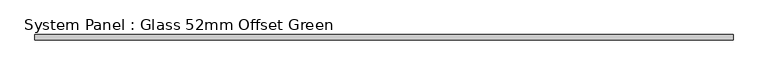
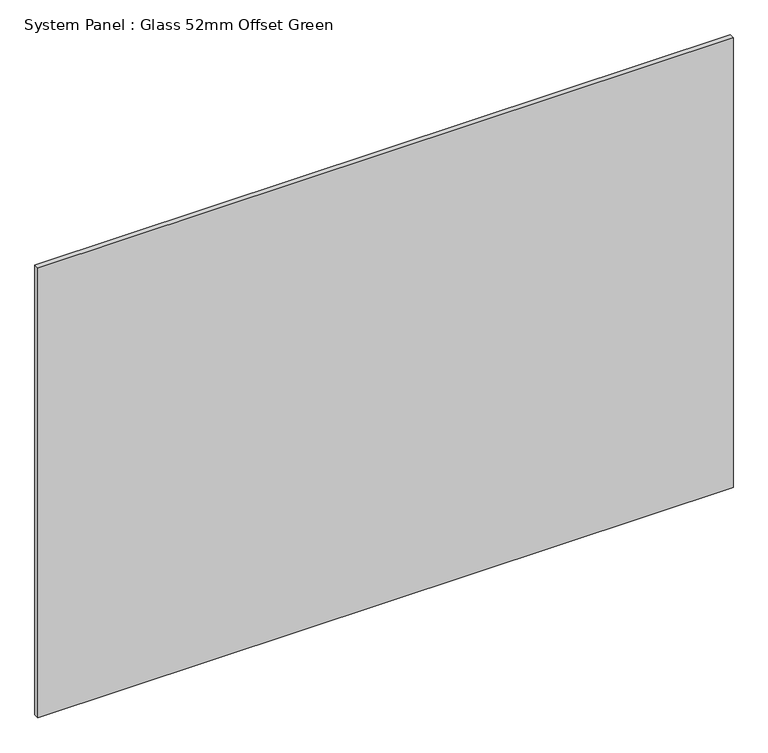
"""IFC4 building model written with IfcOpenShell, lengths in millimetres: plate geometry, System Panel : Glass 52mm Offset Green."""

from ifc_helpers import new_model, si_unit, origin, origin_with_axes, place, context, project, spatial, polyline, outline, extrude, source, transform, mapped, element, save


def system_panel_glass_52mm_offset_green_94013ea5(model_context):
    return source(origin(), model_context, "Body", "SweptSolid", [
        extrude(outline(polyline([(673.267, -57.0), (-673.267, -57.0), (-673.267, -47.0), (673.267, -47.0), (673.267, -57.0)])), origin_with_axes(), (0.0, 0.0, 1.0), 921.5045338),
    ])


if __name__ == "__main__":
    model = new_model("IFC4")
    model_context = context("Model", 3, world=origin())
    ifc_project = project(units=[si_unit("LENGTHUNIT", "METRE", prefix="MILLI")], contexts=[model_context])
    site = spatial("IfcSite", under=ifc_project)
    building = spatial("IfcBuilding", under=site)
    placement = place(None, origin())
    system_panel_glass_52mm_offset_green_shape = system_panel_glass_52mm_offset_green_94013ea5(model_context)
    element("IfcPlate", 1, ObjectType="System Panel : Glass 52mm Offset Green", at=placement, inside=building, context=model_context, shape_type="MappedRepresentation", body=[
        mapped(system_panel_glass_52mm_offset_green_shape, transform((0.0, 0.0, 0.0), x_axis=(1.0, 0.0, 0.0), y_axis=(0.0, 1.0, 0.0), z_axis=(0.0, 0.0, 1.0))),
    ])
    save(model, "model.ifc")
